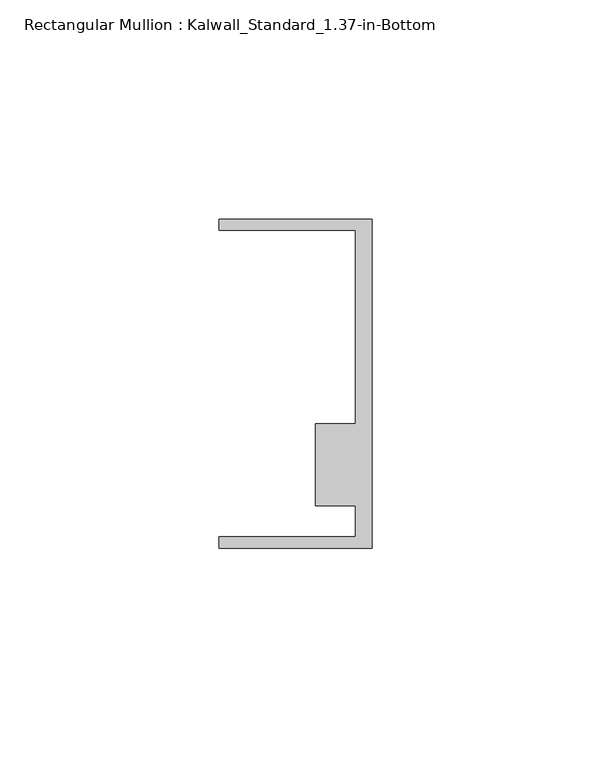
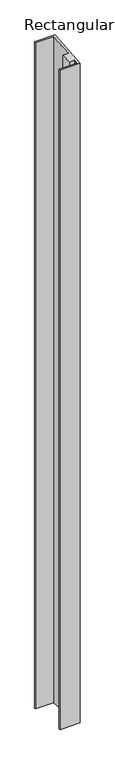
"""IFC4 building model written with IfcOpenShell, lengths in millimetres: member geometry, Rectangular Mullion : Kalwall_Standard_1.37-in-Bottom."""

from ifc_helpers import new_model, si_unit, origin, place, context, project, spatial, faceted_brep, source, transform, mapped, element, save


def rectangular_mullion_kalwall_standard_1_37_in_bottom_c974d311(model_context):
    return source(origin(), model_context, "Body", "Brep", [
        faceted_brep([(0.0, 37.5023614, 3.2699037), (0.0, -37.5776386, -3.2764672), (0.0, -37.5776386, -1206.3287852), (0.0, 37.5023614, -1212.8751562), (-34.925, 37.5023614, 3.2699037), (-34.925, 37.5023614, -1212.8751562), (-34.925, 34.9623614, 3.0484362), (-34.925, 34.9623614, -1212.6536886), (-3.7084, 34.9623614, 3.0484362), (-3.7084, 34.9623614, -1212.6536886), (-3.7084, -9.1879886, -0.8011186), (-3.7084, -9.1879886, -1208.8041339), (-12.8272539, -9.1879886, -0.8011186), (-12.8272539, -9.1879886, -1208.8041339), (-12.8272539, -27.8888568, -2.4316836), (-12.8272539, -27.8888568, -1207.1735689), (-3.7084, -27.8888568, -2.4316836), (-3.7084, -27.8888568, -1207.1735689), (-3.7084, -35.0376386, -3.0549997), (-3.7084, -35.0376386, -1206.5502528), (-34.925, -35.0376386, -3.0549997), (-34.925, -35.0376386, -1206.5502528), (-34.925, -37.5776386, -3.2764672), (-34.925, -37.5776386, -1206.3287852)], [[[0, 1, 2, 3]], [[4, 0, 3, 5]], [[6, 4, 5, 7]], [[8, 6, 7, 9]], [[10, 8, 9, 11]], [[12, 10, 11, 13]], [[14, 12, 13, 15]], [[16, 14, 15, 17]], [[18, 16, 17, 19]], [[20, 18, 19, 21]], [[22, 20, 21, 23]], [[1, 22, 23, 2]], [[1, 0, 4, 6, 8, 10, 12, 14, 16, 18, 20, 22]], [[2, 23, 21, 19, 17, 15, 13, 11, 9, 7, 5, 3]]]),
    ])


if __name__ == "__main__":
    model = new_model("IFC4")
    model_context = context("Model", 3, world=origin())
    ifc_project = project(units=[si_unit("LENGTHUNIT", "METRE", prefix="MILLI")], contexts=[model_context])
    site = spatial("IfcSite", under=ifc_project)
    building = spatial("IfcBuilding", under=site)
    placement = place(None, origin())
    rectangular_mullion_kalwall_standard_1_37_in_bottom_shape = rectangular_mullion_kalwall_standard_1_37_in_bottom_c974d311(model_context)
    element("IfcMember", 1, ObjectType="Rectangular Mullion : Kalwall_Standard_1.37-in-Bottom", at=placement, inside=building, context=model_context, shape_type="MappedRepresentation", body=[
        mapped(rectangular_mullion_kalwall_standard_1_37_in_bottom_shape, transform((0.0, 0.0, 0.0), x_axis=(1.0, 0.0, 0.0), y_axis=(0.0, 1.0, 0.0), z_axis=(0.0, 0.0, 1.0))),
    ])
    save(model, "model.ifc")
